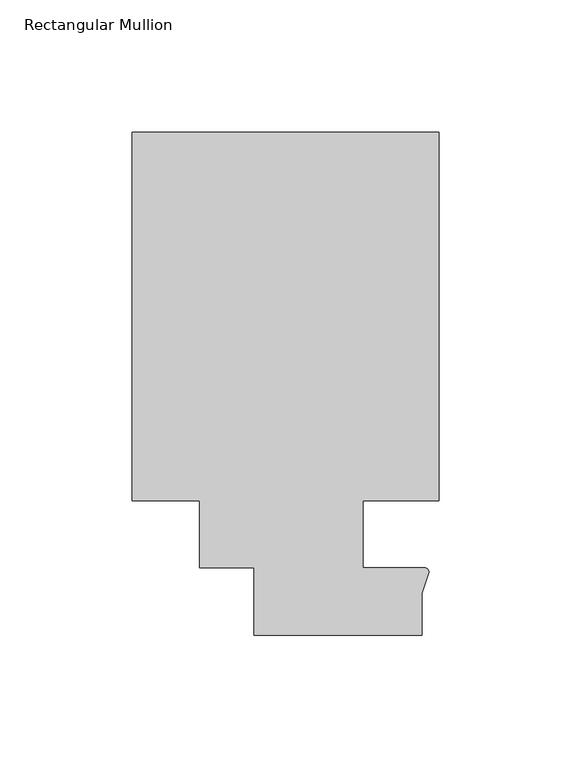
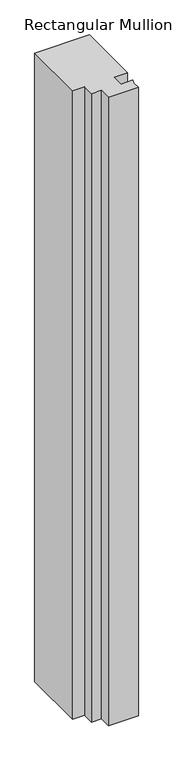
"""IFC4 building model written with IfcOpenShell, lengths in millimetres: member geometry, Rectangular Mullion."""

from ifc_helpers import new_model, si_unit, point, frame, frame_2d, origin, place, context, project, spatial, polyline, circle_curve, trimmed, segment, composite_curve, outline, extrude, source, transform, mapped, element, save


def rectangular_mullion_e4608cce(model_context):
    return source(origin(), model_context, "Body", "SweptSolid", [
        extrude(outline(composite_curve([segment(trimmed(circle_curve(frame_2d((48.2162832, -14.401412)), 1.703369), [point((48.2997293, -12.7000881))], [point((49.9159011, -14.2884292))], False, "CARTESIAN"), True, "CONTINUOUS"), segment(polyline([(49.9159011, -14.2884292), (47.265046, -22.2250977), (47.265046, -38.1), (-16.234954, -38.1), (-16.234954, -12.7), (-36.8958768, -12.7), (-36.8958768, 12.7), (-62.2957636, 12.7), (-62.2957636, 151.892), (53.615046, 151.892), (53.615046, 12.7), (25.0401592, 12.7), (25.0401592, -12.7000881), (48.2997293, -12.7000881)]), True, "CONTINUOUS")], self_intersect=False)), frame((0.0, 0.0, -1405.4451032), z_axis=(0.0, 0.0, 1.0), x_axis=(1.0, 0.0, 0.0)), (0.0, 0.0, 1.0), 1405.4451032),
    ])


if __name__ == "__main__":
    model = new_model("IFC4")
    model_context = context("Model", 3, world=origin())
    ifc_project = project(units=[si_unit("LENGTHUNIT", "METRE", prefix="MILLI")], contexts=[model_context])
    site = spatial("IfcSite", under=ifc_project)
    building = spatial("IfcBuilding", under=site)
    placement = place(None, origin())
    rectangular_mullion_shape = rectangular_mullion_e4608cce(model_context)
    element("IfcMember", 1, ObjectType="Rectangular Mullion", at=placement, inside=building, context=model_context, shape_type="MappedRepresentation", body=[
        mapped(rectangular_mullion_shape, transform((0.0, 0.0, 0.0), x_axis=(1.0, 0.0, 0.0), y_axis=(0.0, 1.0, 0.0), z_axis=(0.0, 0.0, 1.0))),
    ])
    save(model, "model.ifc")
